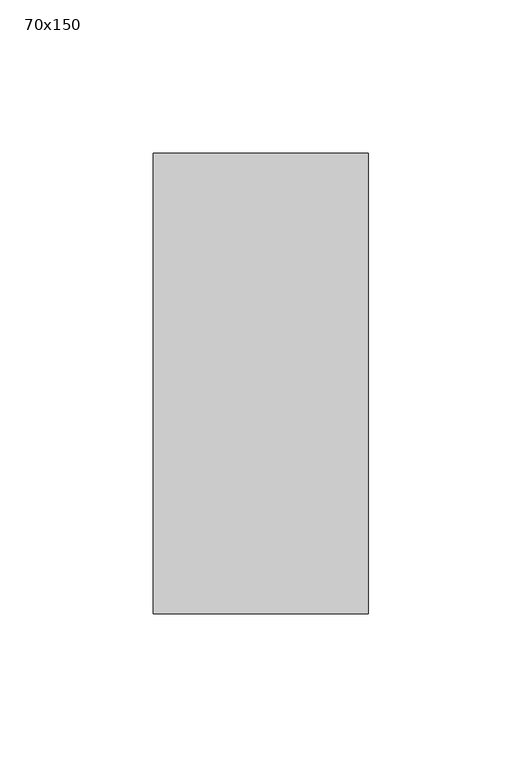
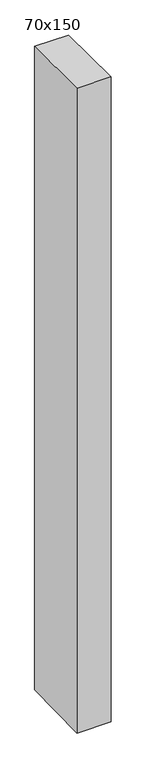
"""IFC4 building model written with IfcOpenShell, lengths in millimetres: member geometry, 70x150."""

from ifc_helpers import new_model, si_unit, frame, origin, place, context, project, spatial, polyline, outline, extrude, source, transform, mapped, element, save


def member_70x150_3cf8c52d(model_context):
    return source(origin(), model_context, "Body", "SweptSolid", [
        extrude(outline(polyline([(-75.0, 0.3082573), (75.0, -0.3082573), (75.0, -1398.7965248), (-75.0, -1401.5521364), (-75.0, 0.3082573)])), frame((-35.0, 0.0, 0.0), z_axis=(1.0, 0.0, 0.0), x_axis=(0.0, 1.0, 0.0)), (0.0, 0.0, 1.0), 70.0),
    ])


if __name__ == "__main__":
    model = new_model("IFC4")
    model_context = context("Model", 3, world=origin())
    ifc_project = project(units=[si_unit("LENGTHUNIT", "METRE", prefix="MILLI")], contexts=[model_context])
    site = spatial("IfcSite", under=ifc_project)
    building = spatial("IfcBuilding", under=site)
    placement = place(None, origin())
    member_70x150_shape = member_70x150_3cf8c52d(model_context)
    element("IfcMember", 1, ObjectType="70x150", at=placement, inside=building, context=model_context, shape_type="MappedRepresentation", body=[
        mapped(member_70x150_shape, transform((0.0, 0.0, 0.0), x_axis=(1.0, 0.0, 0.0), y_axis=(0.0, 1.0, 0.0), z_axis=(0.0, 0.0, 1.0))),
    ])
    save(model, "model.ifc")
